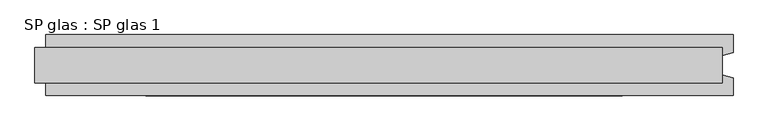
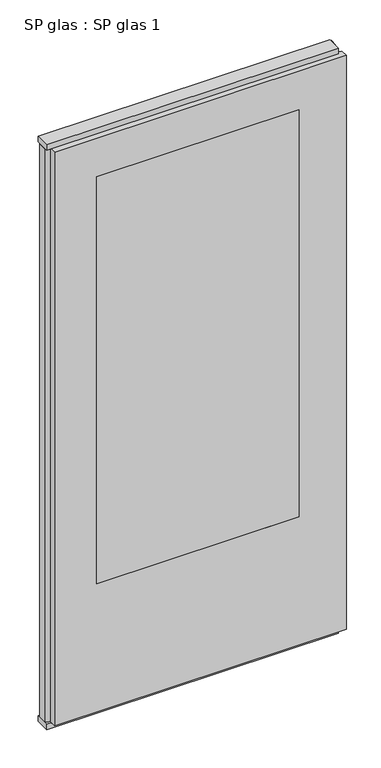
"""IFC4 building model written with IfcOpenShell, lengths in millimetres: plate geometry, SP glas : SP glas 1."""

from ifc_helpers import new_model, si_unit, frame, origin, origin_with_axes, place, context, project, spatial, polyline, outline, extrude, faceted_brep, source, transform, mapped, element, save


def sp_glas_sp_glas_1_cba23103(model_context):
    return source(origin(), model_context, "Body", "SolidModel", [
        extrude(outline(polyline([(620.0, -32.0), (-620.0, -32.0), (-620.0, 32.0), (620.0, 32.0), (620.0, -32.0)])), origin_with_axes(), (0.0, 0.0, 1.0), 25.0),
        extrude(outline(polyline([(620.0, -32.0), (-620.0, -32.0), (-620.0, 32.0), (620.0, 32.0), (620.0, -32.0)])), frame((0.0, 0.0, 2602.0), z_axis=(0.0, 0.0, 1.0), x_axis=(1.0, 0.0, 0.0)), (0.0, 0.0, 1.0), 25.0),
        faceted_brep([(640.0, -55.0, 25.0), (-600.0, -55.0, 25.0), (-600.0, -22.9993165, 25.0), (-620.0, -17.6401049, 25.0), (-620.0, 17.6401049, 25.0), (-600.0, 22.9993165, 25.0), (-600.0, 55.0, 25.0), (640.0, 55.0, 25.0), (640.0, 22.9993165, 25.0), (620.0, 17.6401049, 25.0), (620.0, -17.6401049, 25.0), (640.0, -22.9993165, 25.0), (640.0, -22.9993165, 2602.0), (640.0, -55.0, 2602.0), (620.0, -17.6401049, 2602.0), (620.0, 17.6401049, 2602.0), (640.0, 22.9993165, 2602.0), (640.0, 55.0, 2602.0), (-600.0, 55.0, 2602.0), (-420.0, 55.0, 600.0), (440.0, 55.0, 600.0), (440.0, 55.0, 2427.0), (-420.0, 55.0, 2427.0), (-600.0, 22.9993165, 2602.0), (-620.0, 17.6401049, 2602.0), (-620.0, -17.6401049, 2602.0), (-600.0, -22.9993165, 2602.0), (-600.0, -55.0, 2602.0), (-420.0, -55.0, 2427.0), (440.0, -55.0, 2427.0), (440.0, -55.0, 600.0), (-420.0, -55.0, 600.0)], [[[0, 1, 2, 3, 4, 5, 6, 7, 8, 9, 10, 11]], [[11, 12, 13, 0]], [[10, 14, 12, 11]], [[9, 15, 14, 10]], [[8, 16, 15, 9]], [[7, 17, 16, 8]], [[6, 18, 17, 7], [19, 20, 21, 22]], [[5, 23, 18, 6]], [[4, 24, 23, 5]], [[3, 25, 24, 4]], [[2, 26, 25, 3]], [[1, 27, 26, 2]], [[0, 13, 27, 1], [28, 29, 30, 31]], [[28, 31, 19, 22]], [[30, 29, 21, 20]], [[31, 30, 20, 19]], [[13, 12, 14, 15, 16, 17, 18, 23, 24, 25, 26, 27]], [[22, 21, 29, 28]]]),
        extrude(outline(polyline([(440.0, -55.0), (-420.0, -55.0), (-420.0, 55.0), (440.0, 55.0), (440.0, -55.0)])), frame((0.0, 0.0, 600.0), z_axis=(0.0, 0.0, 1.0), x_axis=(1.0, 0.0, 0.0)), (0.0, 0.0, 1.0), 1827.0),
    ])


if __name__ == "__main__":
    model = new_model("IFC4")
    model_context = context("Model", 3, world=origin())
    ifc_project = project(units=[si_unit("LENGTHUNIT", "METRE", prefix="MILLI")], contexts=[model_context])
    site = spatial("IfcSite", under=ifc_project)
    building = spatial("IfcBuilding", under=site)
    placement = place(None, origin())
    sp_glas_sp_glas_1_shape = sp_glas_sp_glas_1_cba23103(model_context)
    element("IfcPlate", 1, ObjectType="SP glas : SP glas 1", at=placement, inside=building, context=model_context, shape_type="MappedRepresentation", body=[
        mapped(sp_glas_sp_glas_1_shape, transform((0.0, 0.0, 0.0), x_axis=(1.0, 0.0, 0.0), y_axis=(0.0, 1.0, 0.0), z_axis=(0.0, 0.0, 1.0))),
    ])
    save(model, "model.ifc")
